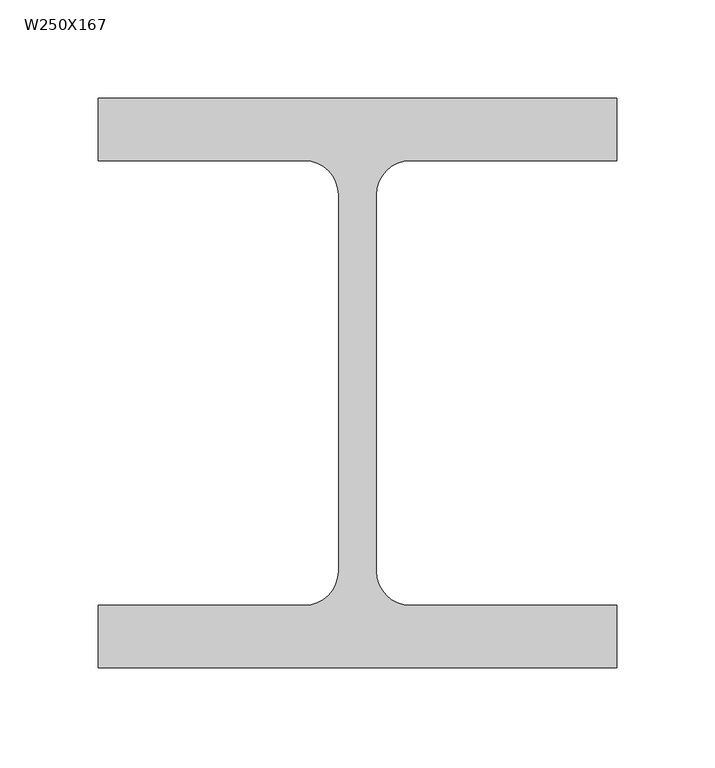
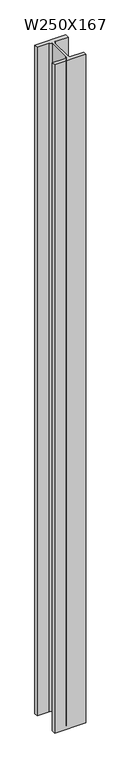
"""IFC4 building model written with IfcOpenShell, lengths in millimetres: column geometry, W250X167."""

import ifcopenshell
import ifcopenshell.guid

model = None  # the IFC model being written
_history = None  # IfcOwnerHistory: only IFC2X3 demands one
_inside = {}  # id of a spatial element -> (the spatial element, [elements in it])
_under = {}  # id of a project, library or spatial element -> (it, [spatial elements below it])
_declared = {}  # id of a project -> (the project, [libraries it declares])
_typed = {}  # id of a type object -> (the type object, [elements of that type])
_made_of = {}  # id of a material, layer set ... -> (it, [elements and type objects made of it])


def new_model(schema):
    """Start an empty IFC model of exactly this schema.

    Asked for "IFC4X3", IfcOpenShell would pick the latest addendum, in which some entities
    have other attributes; the version numbers below select the first issue.
    IFC2X3 requires an IfcOwnerHistory on every rooted entity: one is made here for all.
    """
    global model, _history
    if schema == "IFC4X3":
        model = ifcopenshell.file(schema_version=(4, 3, 0, 0))
    else:
        model = ifcopenshell.file(schema=schema)
    _inside.clear()
    _under.clear()
    _declared.clear()
    _typed.clear()
    _made_of.clear()
    _history = None
    if model.schema == "IFC2X3":
        org = make("IfcOrganization", Name="unknown")
        user = make(
            "IfcPersonAndOrganization",
            ThePerson=make("IfcPerson", FamilyName="unknown"),
            TheOrganization=org,
        )
        app = make(
            "IfcApplication",
            ApplicationDeveloper=org,
            Version="unknown",
            ApplicationFullName="unknown",
            ApplicationIdentifier="unknown",
        )
        _history = make(
            "IfcOwnerHistory",
            OwningUser=user,
            OwningApplication=app,
            ChangeAction="ADDED",
            CreationDate=0,
        )
    return model


def make(cls, **values):
    """One entity of the class cls with the attributes given. An attribute that is None is left unset."""
    return model.create_entity(
        cls, **{name: value for name, value in values.items() if value is not None}
    )


def rooted(cls, **values):
    """An entity with a GlobalId (a new one), such as an element, a storey or a relation."""
    return make(cls, GlobalId=ifcopenshell.guid.new(), OwnerHistory=_history, **values)


def si_unit(unit_type, name, prefix=None):
    """IfcSIUnit, for example si_unit("LENGTHUNIT", "METRE", prefix="MILLI")."""
    return make("IfcSIUnit", UnitType=unit_type, Prefix=prefix, Name=name)


def assignment(units):
    """IfcUnitAssignment: the units of a project."""
    return None if units is None else make("IfcUnitAssignment", Units=units)


def point(xyz):
    """IfcCartesianPoint."""
    return None if xyz is None else make("IfcCartesianPoint", Coordinates=xyz)


def direction(xyz):
    """IfcDirection."""
    return None if xyz is None else make("IfcDirection", DirectionRatios=xyz)


def frame(location, z_axis=None, x_axis=None):
    """IfcAxis2Placement3D, a coordinate frame: its origin and axes. An axis left out is left unset."""
    return make(
        "IfcAxis2Placement3D",
        Location=point(location),
        Axis=direction(z_axis),
        RefDirection=direction(x_axis),
    )


def frame_2d(location, x_axis=None):
    """IfcAxis2Placement2D, a coordinate frame in the plane: its origin and x axis."""
    return make(
        "IfcAxis2Placement2D", Location=point(location), RefDirection=direction(x_axis)
    )


def origin():
    """The frame at (0, 0, 0) with its axes left unset."""
    return frame((0.0, 0.0, 0.0))


def origin_with_axes():
    """The frame at (0, 0, 0) with the z axis (0, 0, 1) and the x axis (1, 0, 0) written out."""
    return frame((0.0, 0.0, 0.0), z_axis=(0.0, 0.0, 1.0), x_axis=(1.0, 0.0, 0.0))


def place(relative_to, where):
    """IfcLocalPlacement: puts the frame where relative to a parent placement (None: the world)."""
    return make(
        "IfcLocalPlacement", PlacementRelTo=relative_to, RelativePlacement=where
    )


def context(
    kind, dimensions, precision=None, world=None, true_north=None, identifier=None
):
    """IfcGeometricRepresentationContext, for example the 3D "Model" context."""
    return make(
        "IfcGeometricRepresentationContext",
        ContextIdentifier=identifier,
        ContextType=kind,
        CoordinateSpaceDimension=dimensions,
        Precision=precision,
        WorldCoordinateSystem=world,
        TrueNorth=true_north,
    )


def project(units=None, contexts=None):
    """IfcProject with its units and contexts."""
    return rooted(
        "IfcProject",
        Name="project",
        RepresentationContexts=contexts,
        UnitsInContext=assignment(units),
    )


def spatial(cls, under=None, at=None, **own):
    """A site, building, storey or space (cls), placed at a placement, below another one or the project."""
    s = rooted(cls, ObjectPlacement=at, **own)
    if under is not None:
        _under.setdefault(under.id(), (under, []))[1].append(s)
    return s


def polyline(points):
    """IfcPolyline through the points."""
    return make("IfcPolyline", Points=[point(p) for p in points])


def circle_curve(where, radius):
    """IfcCircle in the frame where."""
    return make("IfcCircle", Position=where, Radius=radius)


def trimmed(basis, trim1, trim2, sense, master):
    """IfcTrimmedCurve: the piece of a basis curve between two trims."""
    return make(
        "IfcTrimmedCurve",
        BasisCurve=basis,
        Trim1=trim1,
        Trim2=trim2,
        SenseAgreement=sense,
        MasterRepresentation=master,
    )


def segment(curve, same_sense, transition):
    """IfcCompositeCurveSegment."""
    return make(
        "IfcCompositeCurveSegment",
        Transition=transition,
        SameSense=same_sense,
        ParentCurve=curve,
    )


def composite_curve(segments, self_intersect=None):
    """IfcCompositeCurve: segments joined end to end."""
    return make("IfcCompositeCurve", Segments=segments, SelfIntersect=self_intersect)


def outline(outer, holes=None, kind="AREA"):
    """IfcArbitraryClosedProfileDef: a profile drawn as a closed curve; with holes, ...WithVoids."""
    if holes is None:
        return make("IfcArbitraryClosedProfileDef", ProfileType=kind, OuterCurve=outer)
    return make(
        "IfcArbitraryProfileDefWithVoids",
        ProfileType=kind,
        OuterCurve=outer,
        InnerCurves=holes,
    )


def extrude(swept, where, along, depth):
    """IfcExtrudedAreaSolid: the profile swept, set in the frame where, extruded along a direction by depth."""
    return make(
        "IfcExtrudedAreaSolid",
        SweptArea=swept,
        Position=where,
        ExtrudedDirection=direction(along),
        Depth=depth,
    )


def shape(context_of_items, identifier, shape_type, items):
    """IfcShapeRepresentation: the items that make up one representation, for example the "Body"."""
    return make(
        "IfcShapeRepresentation",
        ContextOfItems=context_of_items,
        RepresentationIdentifier=identifier,
        RepresentationType=shape_type,
        Items=items,
    )


def source(mapping_origin, context_of_items, identifier, shape_type, items):
    """IfcRepresentationMap: a shape defined once, which mapped items show again and again."""
    return make(
        "IfcRepresentationMap",
        MappingOrigin=mapping_origin,
        MappedRepresentation=shape(context_of_items, identifier, shape_type, items),
    )


def transform(
    local_origin,
    x_axis=None,
    y_axis=None,
    z_axis=None,
    scale=None,
    scale2=None,
    scale3=None,
    uniform=True,
):
    """IfcCartesianTransformationOperator3D, or its non-uniform kind. x_axis, y_axis, z_axis: its Axis1, 2, 3."""
    if uniform:
        return make(
            "IfcCartesianTransformationOperator3D",
            Axis1=direction(x_axis),
            Axis2=direction(y_axis),
            LocalOrigin=point(local_origin),
            Scale=scale,
            Axis3=direction(z_axis),
        )
    return make(
        "IfcCartesianTransformationOperator3DnonUniform",
        Axis1=direction(x_axis),
        Axis2=direction(y_axis),
        LocalOrigin=point(local_origin),
        Scale=scale,
        Axis3=direction(z_axis),
        Scale2=scale2,
        Scale3=scale3,
    )


def mapped(mapping_source, mapping_target):
    """IfcMappedItem: shows the shape of a source again, moved by a transform."""
    return make(
        "IfcMappedItem", MappingSource=mapping_source, MappingTarget=mapping_target
    )


def made_of(thing, what):
    """Note that an element or type object is made of a material, layer set ...; save() writes the relation."""
    if what is not None:
        _made_of.setdefault(what.id(), (what, []))[1].append(thing)
    return thing


def element(
    cls,
    number,
    at=None,
    inside=None,
    cuts=None,
    type_object=None,
    material=None,
    context=None,
    identifier="Body",
    shape_type=None,
    held_by="IfcProductDefinitionShape",
    body=None,
    shapes=None,
    **own,
):
    """One element of the class cls, such as IfcWall. Its Tag is "e" and its number.

    at: its placement. inside: the storey or other place that contains it. cuts: it is an
    opening in that element (IfcRelVoidsElement). A single representation is given by context,
    identifier, shape_type and body (its items); several are given by shapes. held_by: the class
    of the entity that holds the representations. save() writes the other relations.
    """
    e = rooted(cls, Tag="e%d" % number, ObjectPlacement=at, **own)
    if body is not None:
        shapes = [shape(context, identifier, shape_type, body)]
    if shapes is not None:
        e.Representation = make(held_by, Representations=shapes)
    if inside is not None:
        _inside.setdefault(inside.id(), (inside, []))[1].append(e)
    if cuts is not None:
        rooted(
            "IfcRelVoidsElement", RelatingBuildingElement=cuts, RelatedOpeningElement=e
        )
    if type_object is not None:
        _typed.setdefault(type_object.id(), (type_object, []))[1].append(e)
    return made_of(e, material)


def aggregate(whole, parts):
    """IfcRelAggregates: a whole, such as a stair, and the parts it consists of."""
    return rooted("IfcRelAggregates", RelatingObject=whole, RelatedObjects=parts)


def save(model, path):
    """Write the relations noted so far, then the file.

    IfcRelAggregates (storeys below a building ...), IfcRelContainedInSpatialStructure (elements
    in a storey), IfcRelDefinesByType, IfcRelAssociatesMaterial and IfcRelDeclares: one each for
    every whole, place, type object, material and project.
    """
    for whole, parts in _under.values():
        aggregate(whole, parts)
    for where, things in _inside.values():
        rooted(
            "IfcRelContainedInSpatialStructure",
            RelatedElements=things,
            RelatingStructure=where,
        )
    for kind, things in _typed.values():
        rooted("IfcRelDefinesByType", RelatedObjects=things, RelatingType=kind)
    for what, things in _made_of.values():
        rooted("IfcRelAssociatesMaterial", RelatedObjects=things, RelatingMaterial=what)
    for by, libraries in _declared.values():
        rooted("IfcRelDeclares", RelatingContext=by, RelatedDefinitions=libraries)
    model.write(path)


def w250x167_b653f88f(model_context):
    return source(origin(), model_context, "Body", "SweptSolid", [
        extrude(outline(composite_curve([segment(polyline([(132.0, 145.0), (132.0, 113.2), (27.0, 113.2)]), True, "CONTINUOUS"), segment(trimmed(circle_curve(frame_2d((27.0, 95.8)), 17.4), [point((27.0, 113.2))], [point((9.6, 95.8))], True, "CARTESIAN"), True, "CONTINUOUS"), segment(polyline([(9.6, 95.8), (9.6, -95.8)]), True, "CONTINUOUS"), segment(trimmed(circle_curve(frame_2d((27.0, -95.8)), 17.4), [point((9.6, -95.8))], [point((27.0, -113.2))], True, "CARTESIAN"), True, "CONTINUOUS"), segment(polyline([(27.0, -113.2), (132.0, -113.2), (132.0, -145.0), (-132.0, -145.0), (-132.0, -113.2), (-27.0, -113.2)]), True, "CONTINUOUS"), segment(trimmed(circle_curve(frame_2d((-27.0, -95.8)), 17.4), [point((-27.0, -113.2))], [point((-9.6, -95.8))], True, "CARTESIAN"), True, "CONTINUOUS"), segment(polyline([(-9.6, -95.8), (-9.6, 95.8)]), True, "CONTINUOUS"), segment(trimmed(circle_curve(frame_2d((-27.0, 95.8)), 17.4), [point((-9.6, 95.8))], [point((-27.0, 113.2))], True, "CARTESIAN"), True, "CONTINUOUS"), segment(polyline([(-27.0, 113.2), (-132.0, 113.2), (-132.0, 145.0), (132.0, 145.0)]), True, "CONTINUOUS")], self_intersect=False)), origin_with_axes(), (0.0, 0.0, 1.0), 6000.0),
    ])


if __name__ == "__main__":
    model = new_model("IFC4")
    model_context = context("Model", 3, world=origin())
    ifc_project = project(units=[si_unit("LENGTHUNIT", "METRE", prefix="MILLI")], contexts=[model_context])
    site = spatial("IfcSite", under=ifc_project)
    building = spatial("IfcBuilding", under=site)
    placement = place(None, origin())
    w250x167_shape = w250x167_b653f88f(model_context)
    element("IfcColumn", 1, ObjectType="W250X167", at=placement, inside=building, context=model_context, shape_type="MappedRepresentation", body=[
        mapped(w250x167_shape, transform((0.0, 0.0, 0.0), x_axis=(1.0, 0.0, 0.0), y_axis=(0.0, 1.0, 0.0), z_axis=(0.0, 0.0, 1.0))),
    ])
    save(model, "model.ifc")
